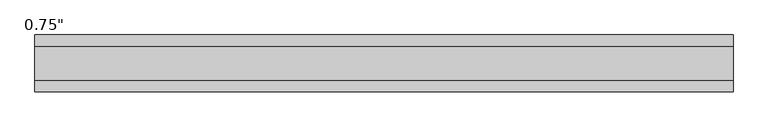
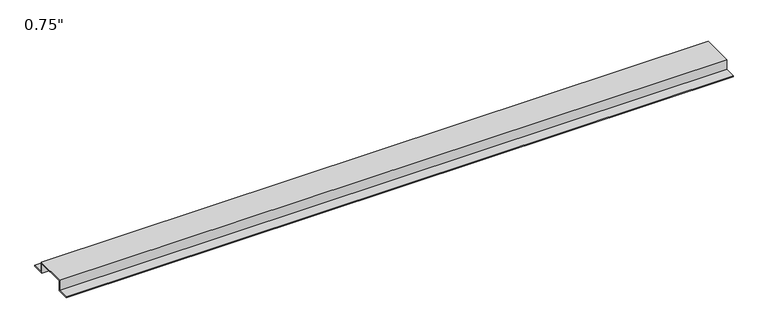
"""IFC4 building model written with IfcOpenShell, lengths in millimetres: proxy geometry."""

from ifc_helpers import new_model, si_unit, frame, origin, place, context, project, spatial, polyline, outline, extrude, source, transform, mapped, element, save


def proxy_1894f149(model_context):
    return source(origin(), model_context, "Body", "SweptSolid", [
        extrude(outline(polyline([(46.0559645, -17.4625), (25.4, -17.4625), (25.4, 0.0), (-25.4, 0.0), (-25.4, -17.4625), (-46.0559645, -17.4625), (-46.0559645, -15.8492), (-27.0129, -15.8492), (-27.0129, 1.6129), (27.0129, 1.6129), (27.0129, -15.8492), (46.0559645, -15.8492), (46.0559645, -17.4625)])), frame((0.0, 0.0, 0.0), z_axis=(1.0, 0.0, 0.0), x_axis=(0.0, 1.0, 0.0)), (0.0, 0.0, 1.0), 1127.2060577),
    ])


if __name__ == "__main__":
    model = new_model("IFC4")
    model_context = context("Model", 3, world=origin())
    ifc_project = project(units=[si_unit("LENGTHUNIT", "METRE", prefix="MILLI")], contexts=[model_context])
    site = spatial("IfcSite", under=ifc_project)
    building = spatial("IfcBuilding", under=site)
    placement = place(None, origin())
    proxy_shape = proxy_1894f149(model_context)
    element("IfcBuildingElementProxy", 1, Name="0.75\"", ObjectType="0.75\"", at=placement, inside=building, context=model_context, shape_type="MappedRepresentation", body=[
        mapped(proxy_shape, transform((0.0, 0.0, 0.0), x_axis=(1.0, 0.0, 0.0), y_axis=(0.0, 1.0, 0.0), z_axis=(0.0, 0.0, 1.0))),
    ])
    save(model, "model.ifc")
